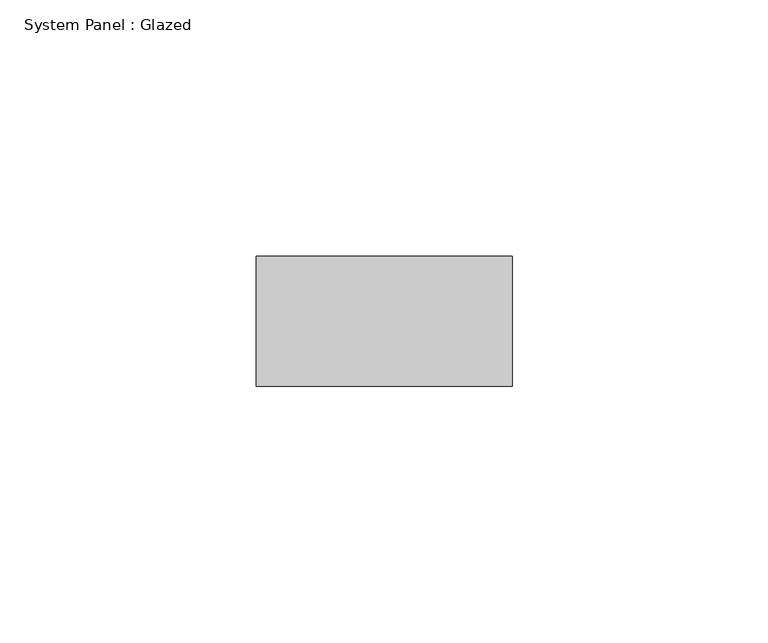
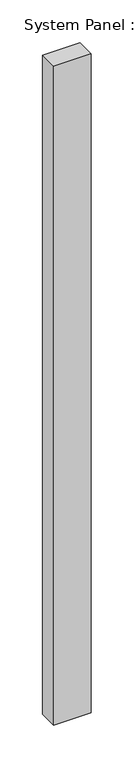
"""IFC4 building model written with IfcOpenShell, lengths in millimetres: plate geometry, System Panel : Glazed."""

from ifc_helpers import new_model, si_unit, origin, origin_with_axes, place, context, project, spatial, polyline, outline, extrude, source, transform, mapped, element, save


def system_panel_glazed_6d1058e4(model_context):
    return source(origin(), model_context, "Body", "SweptSolid", [
        extrude(outline(polyline([(25.0, 19.05), (-25.0, 19.05), (-25.0, 44.45), (25.0, 44.45), (25.0, 19.05)])), origin_with_axes(), (0.0, 0.0, 1.0), 936.5),
    ])


if __name__ == "__main__":
    model = new_model("IFC4")
    model_context = context("Model", 3, world=origin())
    ifc_project = project(units=[si_unit("LENGTHUNIT", "METRE", prefix="MILLI")], contexts=[model_context])
    site = spatial("IfcSite", under=ifc_project)
    building = spatial("IfcBuilding", under=site)
    placement = place(None, origin())
    system_panel_glazed_shape = system_panel_glazed_6d1058e4(model_context)
    element("IfcPlate", 1, ObjectType="System Panel : Glazed", at=placement, inside=building, context=model_context, shape_type="MappedRepresentation", body=[
        mapped(system_panel_glazed_shape, transform((0.0, 0.0, 0.0), x_axis=(1.0, 0.0, 0.0), y_axis=(0.0, 1.0, 0.0), z_axis=(0.0, 0.0, 1.0))),
    ])
    save(model, "model.ifc")
